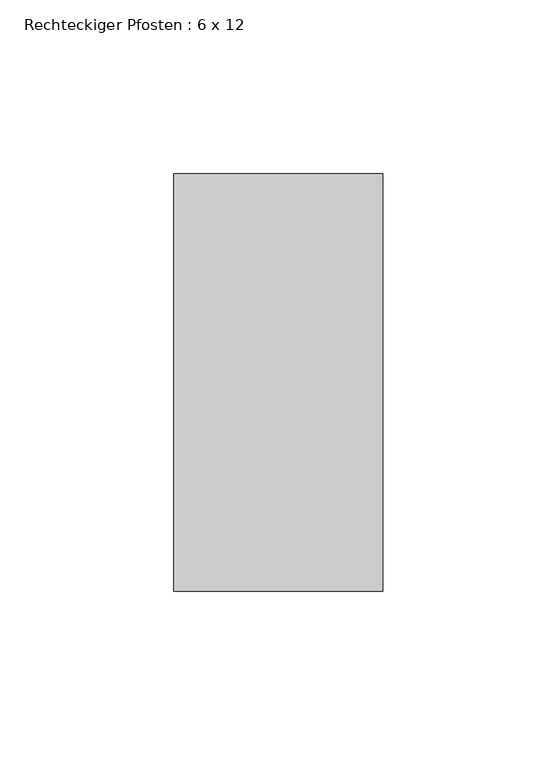
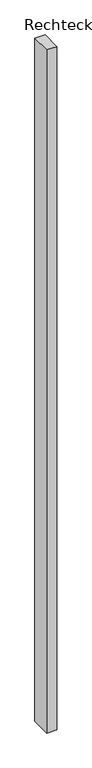
"""IFC4 building model written with IfcOpenShell, lengths in millimetres: member geometry, Rechteckiger Pfosten : 6 x 12."""

from ifc_helpers import new_model, si_unit, frame, origin, place, context, project, spatial, polyline, outline, extrude, source, transform, mapped, element, save


def rechteckiger_pfosten_6_x_12_022db057(model_context):
    return source(origin(), model_context, "Body", "SweptSolid", [
        extrude(outline(polyline([(30.0, 60.0), (30.0, -60.0), (-30.0, -60.0), (-30.0, 60.0), (30.0, 60.0)])), frame((0.0, 0.0, -4250.0), z_axis=(0.0, 0.0, 1.0), x_axis=(1.0, 0.0, 0.0)), (0.0, 0.0, 1.0), 4250.0),
    ])


if __name__ == "__main__":
    model = new_model("IFC4")
    model_context = context("Model", 3, world=origin())
    ifc_project = project(units=[si_unit("LENGTHUNIT", "METRE", prefix="MILLI")], contexts=[model_context])
    site = spatial("IfcSite", under=ifc_project)
    building = spatial("IfcBuilding", under=site)
    placement = place(None, origin())
    rechteckiger_pfosten_6_x_12_shape = rechteckiger_pfosten_6_x_12_022db057(model_context)
    element("IfcMember", 1, ObjectType="Rechteckiger Pfosten : 6 x 12", at=placement, inside=building, context=model_context, shape_type="MappedRepresentation", body=[
        mapped(rechteckiger_pfosten_6_x_12_shape, transform((0.0, 0.0, 0.0), x_axis=(1.0, 0.0, 0.0), y_axis=(0.0, 1.0, 0.0), z_axis=(0.0, 0.0, 1.0))),
    ])
    save(model, "model.ifc")
